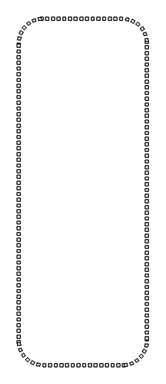
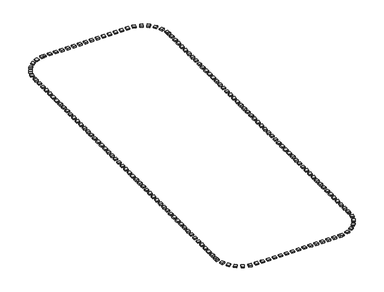
"""IFC4 building model written with IfcOpenShell, lengths in millimetres: railing geometry."""

from ifc_helpers import new_model, si_unit, origin, origin_with_axes, place, context, project, spatial, polyline, outline, extrude, source, transform, mapped, element, save


def railing_b917b7a8(model_context):
    return source(origin(), model_context, "Body", "SweptSolid", [
        extrude(outline(polyline([(-56627.5176302, -289245.3396431), (-56627.5176302, -289745.3396431), (-57127.5176302, -289745.3396431), (-57127.5176302, -289245.3396431), (-56627.5176302, -289245.3396431)])), origin_with_axes(), (0.0, 0.0, 1.0), 200.0),
        extrude(outline(polyline([(-57627.5176302, -289245.3396431), (-57627.5176302, -289745.3396431), (-58127.5176302, -289745.3396431), (-58127.5176302, -289245.3396431), (-57627.5176302, -289245.3396431)])), origin_with_axes(), (0.0, 0.0, 1.0), 200.0),
        extrude(outline(polyline([(-58627.5176302, -289245.3396431), (-58627.5176302, -289745.3396431), (-59127.5176302, -289745.3396431), (-59127.5176302, -289245.3396431), (-58627.5176302, -289245.3396431)])), origin_with_axes(), (0.0, 0.0, 1.0), 200.0),
        extrude(outline(polyline([(-59627.5176302, -289245.3396431), (-59627.5176302, -289745.3396431), (-60127.5176302, -289745.3396431), (-60127.5176302, -289245.3396431), (-59627.5176302, -289245.3396431)])), origin_with_axes(), (0.0, 0.0, 1.0), 200.0),
        extrude(outline(polyline([(-60627.5176302, -289245.3396431), (-60627.5176302, -289745.3396431), (-61127.5176302, -289745.3396431), (-61127.5176302, -289245.3396431), (-60627.5176302, -289245.3396431)])), origin_with_axes(), (0.0, 0.0, 1.0), 200.0),
        extrude(outline(polyline([(-61627.5176302, -289245.3396431), (-61627.5176302, -289745.3396431), (-62127.5176302, -289745.3396431), (-62127.5176302, -289245.3396431), (-61627.5176302, -289245.3396431)])), origin_with_axes(), (0.0, 0.0, 1.0), 200.0),
        extrude(outline(polyline([(-62627.5176302, -289245.3396431), (-62627.5176302, -289745.3396431), (-63127.5176302, -289745.3396431), (-63127.5176302, -289245.3396431), (-62627.5176302, -289245.3396431)])), origin_with_axes(), (0.0, 0.0, 1.0), 200.0),
        extrude(outline(polyline([(-63627.5176302, -289245.3396431), (-63627.5176302, -289745.3396431), (-64127.5176302, -289745.3396431), (-64127.5176302, -289245.3396431), (-63627.5176302, -289245.3396431)])), origin_with_axes(), (0.0, 0.0, 1.0), 200.0),
        extrude(outline(polyline([(-64627.5176302, -289245.3396431), (-64627.5176302, -289745.3396431), (-65127.5176302, -289745.3396431), (-65127.5176302, -289245.3396431), (-64627.5176302, -289245.3396431)])), origin_with_axes(), (0.0, 0.0, 1.0), 200.0),
        extrude(outline(polyline([(-65627.5176302, -289245.3396431), (-65627.5176302, -289745.3396431), (-66127.5176302, -289745.3396431), (-66127.5176302, -289245.3396431), (-65627.5176302, -289245.3396431)])), origin_with_axes(), (0.0, 0.0, 1.0), 200.0),
        extrude(outline(polyline([(-66627.5176302, -289245.3396431), (-66627.5176302, -289745.3396431), (-67127.5176302, -289745.3396431), (-67127.5176302, -289245.3396431), (-66627.5176302, -289245.3396431)])), origin_with_axes(), (0.0, 0.0, 1.0), 200.0),
        extrude(outline(polyline([(-67627.5176302, -289245.3396431), (-67627.5176302, -289745.3396431), (-68127.5176302, -289745.3396431), (-68127.5176302, -289245.3396431), (-67627.5176302, -289245.3396431)])), origin_with_axes(), (0.0, 0.0, 1.0), 200.0),
        extrude(outline(polyline([(-68627.5176302, -289245.3396431), (-68627.5176302, -289745.3396431), (-69127.5176302, -289745.3396431), (-69127.5176302, -289245.3396431), (-68627.5176302, -289245.3396431)])), origin_with_axes(), (0.0, 0.0, 1.0), 200.0),
        extrude(outline(polyline([(-69945.8350377, -289256.6122034), (-69910.4664368, -289755.3596967), (-70409.2139301, -289790.7282975), (-70444.582531, -289291.9808042), (-69945.8350377, -289256.6122034)])), origin_with_axes(), (0.0, 0.0, 1.0), 200.0),
        extrude(outline(polyline([(-71046.4682609, -289474.908856), (-70888.8070797, -289949.4011657), (-71363.2993894, -290107.0623469), (-71520.9605706, -289632.5700372), (-71046.4682609, -289474.908856)])), origin_with_axes(), (0.0, 0.0, 1.0), 200.0),
        extrude(outline(polyline([(-72058.8780066, -289958.7202115), (-71788.7268536, -290379.4557039), (-72209.462346, -290649.6068568), (-72479.613499, -290228.8713644), (-72058.8780066, -289958.7202115)])), origin_with_axes(), (0.0, 0.0, 1.0), 200.0),
        extrude(outline(polyline([(-72920.1175401, -290677.965223), (-72554.2731056, -291018.784603), (-72895.0924857, -291384.6290375), (-73260.9369201, -291043.8096575), (-72920.1175401, -290677.965223)])), origin_with_axes(), (0.0, 0.0, 1.0), 200.0),
        extrude(outline(polyline([(-73576.6391587, -291587.9247194), (-73137.8478777, -291827.6374887), (-73377.560647, -292266.4287697), (-73816.351928, -292026.7160004), (-73576.6391587, -291587.9247194)])), origin_with_axes(), (0.0, 0.0, 1.0), 200.0),
        extrude(outline(polyline([(-73987.6235278, -292632.0218265), (-73503.167317, -292755.7238061), (-73626.8692966, -293240.180017), (-74111.3255075, -293116.4780373), (-73987.6235278, -292632.0218265)])), origin_with_axes(), (0.0, 0.0, 1.0), 200.0),
        extrude(outline(polyline([(-74127.5176302, -293954.0566268), (-73627.5176302, -293954.0566268), (-73627.5176302, -294454.0566268), (-74127.5176302, -294454.0566268), (-74127.5176302, -293954.0566268)])), origin_with_axes(), (0.0, 0.0, 1.0), 200.0),
        extrude(outline(polyline([(-74127.5176302, -294954.0566268), (-73627.5176302, -294954.0566268), (-73627.5176302, -295454.0566268), (-74127.5176302, -295454.0566268), (-74127.5176302, -294954.0566268)])), origin_with_axes(), (0.0, 0.0, 1.0), 200.0),
        extrude(outline(polyline([(-74127.5176302, -295954.0566268), (-73627.5176302, -295954.0566268), (-73627.5176302, -296454.0566268), (-74127.5176302, -296454.0566268), (-74127.5176302, -295954.0566268)])), origin_with_axes(), (0.0, 0.0, 1.0), 200.0),
        extrude(outline(polyline([(-74127.5176302, -296954.0566268), (-73627.5176302, -296954.0566268), (-73627.5176302, -297454.0566268), (-74127.5176302, -297454.0566268), (-74127.5176302, -296954.0566268)])), origin_with_axes(), (0.0, 0.0, 1.0), 200.0),
        extrude(outline(polyline([(-74127.5176302, -297954.0566268), (-73627.5176302, -297954.0566268), (-73627.5176302, -298454.0566268), (-74127.5176302, -298454.0566268), (-74127.5176302, -297954.0566268)])), origin_with_axes(), (0.0, 0.0, 1.0), 200.0),
        extrude(outline(polyline([(-74127.5176302, -298954.0566268), (-73627.5176302, -298954.0566268), (-73627.5176302, -299454.0566268), (-74127.5176302, -299454.0566268), (-74127.5176302, -298954.0566268)])), origin_with_axes(), (0.0, 0.0, 1.0), 200.0),
        extrude(outline(polyline([(-74127.5176302, -299954.0566268), (-73627.5176302, -299954.0566268), (-73627.5176302, -300454.0566268), (-74127.5176302, -300454.0566268), (-74127.5176302, -299954.0566268)])), origin_with_axes(), (0.0, 0.0, 1.0), 200.0),
        extrude(outline(polyline([(-74127.5176302, -300954.0566268), (-73627.5176302, -300954.0566268), (-73627.5176302, -301454.0566268), (-74127.5176302, -301454.0566268), (-74127.5176302, -300954.0566268)])), origin_with_axes(), (0.0, 0.0, 1.0), 200.0),
        extrude(outline(polyline([(-74127.5176302, -301954.0566268), (-73627.5176302, -301954.0566268), (-73627.5176302, -302454.0566268), (-74127.5176302, -302454.0566268), (-74127.5176302, -301954.0566268)])), origin_with_axes(), (0.0, 0.0, 1.0), 200.0),
        extrude(outline(polyline([(-74127.5176302, -302954.0566268), (-73627.5176302, -302954.0566268), (-73627.5176302, -303454.0566268), (-74127.5176302, -303454.0566268), (-74127.5176302, -302954.0566268)])), origin_with_axes(), (0.0, 0.0, 1.0), 200.0),
        extrude(outline(polyline([(-74127.5176302, -303954.0566268), (-73627.5176302, -303954.0566268), (-73627.5176302, -304454.0566268), (-74127.5176302, -304454.0566268), (-74127.5176302, -303954.0566268)])), origin_with_axes(), (0.0, 0.0, 1.0), 200.0),
        extrude(outline(polyline([(-74127.5176302, -304954.0566268), (-73627.5176302, -304954.0566268), (-73627.5176302, -305454.0566268), (-74127.5176302, -305454.0566268), (-74127.5176302, -304954.0566268)])), origin_with_axes(), (0.0, 0.0, 1.0), 200.0),
        extrude(outline(polyline([(-74127.5176302, -305954.0566268), (-73627.5176302, -305954.0566268), (-73627.5176302, -306454.0566268), (-74127.5176302, -306454.0566268), (-74127.5176302, -305954.0566268)])), origin_with_axes(), (0.0, 0.0, 1.0), 200.0),
        extrude(outline(polyline([(-74127.5176302, -306954.0566268), (-73627.5176302, -306954.0566268), (-73627.5176302, -307454.0566268), (-74127.5176302, -307454.0566268), (-74127.5176302, -306954.0566268)])), origin_with_axes(), (0.0, 0.0, 1.0), 200.0),
        extrude(outline(polyline([(-74127.5176302, -307954.0566268), (-73627.5176302, -307954.0566268), (-73627.5176302, -308454.0566268), (-74127.5176302, -308454.0566268), (-74127.5176302, -307954.0566268)])), origin_with_axes(), (0.0, 0.0, 1.0), 200.0),
        extrude(outline(polyline([(-74127.5176302, -308954.0566268), (-73627.5176302, -308954.0566268), (-73627.5176302, -309454.0566268), (-74127.5176302, -309454.0566268), (-74127.5176302, -308954.0566268)])), origin_with_axes(), (0.0, 0.0, 1.0), 200.0),
        extrude(outline(polyline([(-74127.5176302, -309954.0566268), (-73627.5176302, -309954.0566268), (-73627.5176302, -310454.0566268), (-74127.5176302, -310454.0566268), (-74127.5176302, -309954.0566268)])), origin_with_axes(), (0.0, 0.0, 1.0), 200.0),
        extrude(outline(polyline([(-74127.5176302, -310954.0566268), (-73627.5176302, -310954.0566268), (-73627.5176302, -311454.0566268), (-74127.5176302, -311454.0566268), (-74127.5176302, -310954.0566268)])), origin_with_axes(), (0.0, 0.0, 1.0), 200.0),
        extrude(outline(polyline([(-74127.5176302, -311954.0566268), (-73627.5176302, -311954.0566268), (-73627.5176302, -312454.0566268), (-74127.5176302, -312454.0566268), (-74127.5176302, -311954.0566268)])), origin_with_axes(), (0.0, 0.0, 1.0), 200.0),
        extrude(outline(polyline([(-74127.5176302, -312954.0566268), (-73627.5176302, -312954.0566268), (-73627.5176302, -313454.0566268), (-74127.5176302, -313454.0566268), (-74127.5176302, -312954.0566268)])), origin_with_axes(), (0.0, 0.0, 1.0), 200.0),
        extrude(outline(polyline([(-74127.5176302, -313954.0566268), (-73627.5176302, -313954.0566268), (-73627.5176302, -314454.0566268), (-74127.5176302, -314454.0566268), (-74127.5176302, -313954.0566268)])), origin_with_axes(), (0.0, 0.0, 1.0), 200.0),
        extrude(outline(polyline([(-74127.5176302, -314954.0566268), (-73627.5176302, -314954.0566268), (-73627.5176302, -315454.0566268), (-74127.5176302, -315454.0566268), (-74127.5176302, -314954.0566268)])), origin_with_axes(), (0.0, 0.0, 1.0), 200.0),
        extrude(outline(polyline([(-74127.5176302, -315954.0566268), (-73627.5176302, -315954.0566268), (-73627.5176302, -316454.0566268), (-74127.5176302, -316454.0566268), (-74127.5176302, -315954.0566268)])), origin_with_axes(), (0.0, 0.0, 1.0), 200.0),
        extrude(outline(polyline([(-74127.5176302, -316954.0566268), (-73627.5176302, -316954.0566268), (-73627.5176302, -317454.0566268), (-74127.5176302, -317454.0566268), (-74127.5176302, -316954.0566268)])), origin_with_axes(), (0.0, 0.0, 1.0), 200.0),
        extrude(outline(polyline([(-74127.5176302, -317954.0566268), (-73627.5176302, -317954.0566268), (-73627.5176302, -318454.0566268), (-74127.5176302, -318454.0566268), (-74127.5176302, -317954.0566268)])), origin_with_axes(), (0.0, 0.0, 1.0), 200.0),
        extrude(outline(polyline([(-74127.5176302, -318954.0566268), (-73627.5176302, -318954.0566268), (-73627.5176302, -319454.0566268), (-74127.5176302, -319454.0566268), (-74127.5176302, -318954.0566268)])), origin_with_axes(), (0.0, 0.0, 1.0), 200.0),
        extrude(outline(polyline([(-74127.5176302, -319954.0566268), (-73627.5176302, -319954.0566268), (-73627.5176302, -320454.0566268), (-74127.5176302, -320454.0566268), (-74127.5176302, -319954.0566268)])), origin_with_axes(), (0.0, 0.0, 1.0), 200.0),
        extrude(outline(polyline([(-74127.5176302, -320954.0566268), (-73627.5176302, -320954.0566268), (-73627.5176302, -321454.0566268), (-74127.5176302, -321454.0566268), (-74127.5176302, -320954.0566268)])), origin_with_axes(), (0.0, 0.0, 1.0), 200.0),
        extrude(outline(polyline([(-74127.5176302, -321954.0566268), (-73627.5176302, -321954.0566268), (-73627.5176302, -322454.0566268), (-74127.5176302, -322454.0566268), (-74127.5176302, -321954.0566268)])), origin_with_axes(), (0.0, 0.0, 1.0), 200.0),
        extrude(outline(polyline([(-74127.5176302, -322954.0566268), (-73627.5176302, -322954.0566268), (-73627.5176302, -323454.0566268), (-74127.5176302, -323454.0566268), (-74127.5176302, -322954.0566268)])), origin_with_axes(), (0.0, 0.0, 1.0), 200.0),
        extrude(outline(polyline([(-74127.5176302, -323954.0566268), (-73627.5176302, -323954.0566268), (-73627.5176302, -324454.0566268), (-74127.5176302, -324454.0566268), (-74127.5176302, -323954.0566268)])), origin_with_axes(), (0.0, 0.0, 1.0), 200.0),
        extrude(outline(polyline([(-74127.5176302, -324954.0566268), (-73627.5176302, -324954.0566268), (-73627.5176302, -325454.0566268), (-74127.5176302, -325454.0566268), (-74127.5176302, -324954.0566268)])), origin_with_axes(), (0.0, 0.0, 1.0), 200.0),
        extrude(outline(polyline([(-74127.5176302, -325954.0566268), (-73627.5176302, -325954.0566268), (-73627.5176302, -326454.0566268), (-74127.5176302, -326454.0566268), (-74127.5176302, -325954.0566268)])), origin_with_axes(), (0.0, 0.0, 1.0), 200.0),
        extrude(outline(polyline([(-74127.5176302, -326954.0566268), (-73627.5176302, -326954.0566268), (-73627.5176302, -327454.0566268), (-74127.5176302, -327454.0566268), (-74127.5176302, -326954.0566268)])), origin_with_axes(), (0.0, 0.0, 1.0), 200.0),
        extrude(outline(polyline([(-74127.5176302, -327954.0566268), (-73627.5176302, -327954.0566268), (-73627.5176302, -328454.0566268), (-74127.5176302, -328454.0566268), (-74127.5176302, -327954.0566268)])), origin_with_axes(), (0.0, 0.0, 1.0), 200.0),
        extrude(outline(polyline([(-74127.5176302, -328954.0566268), (-73627.5176302, -328954.0566268), (-73627.5176302, -329454.0566268), (-74127.5176302, -329454.0566268), (-74127.5176302, -328954.0566268)])), origin_with_axes(), (0.0, 0.0, 1.0), 200.0),
        extrude(outline(polyline([(-74127.5176302, -329954.0566268), (-73627.5176302, -329954.0566268), (-73627.5176302, -330454.0566268), (-74127.5176302, -330454.0566268), (-74127.5176302, -329954.0566268)])), origin_with_axes(), (0.0, 0.0, 1.0), 200.0),
        extrude(outline(polyline([(-74127.5176302, -330954.0566268), (-73627.5176302, -330954.0566268), (-73627.5176302, -331454.0566268), (-74127.5176302, -331454.0566268), (-74127.5176302, -330954.0566268)])), origin_with_axes(), (0.0, 0.0, 1.0), 200.0),
        extrude(outline(polyline([(-74127.5176302, -331954.0566268), (-73627.5176302, -331954.0566268), (-73627.5176302, -332454.0566268), (-74127.5176302, -332454.0566268), (-74127.5176302, -331954.0566268)])), origin_with_axes(), (0.0, 0.0, 1.0), 200.0),
        extrude(outline(polyline([(-74127.5176302, -332954.0566268), (-73627.5176302, -332954.0566268), (-73627.5176302, -333454.0566268), (-74127.5176302, -333454.0566268), (-74127.5176302, -332954.0566268)])), origin_with_axes(), (0.0, 0.0, 1.0), 200.0),
        extrude(outline(polyline([(-74127.5176302, -333954.0566268), (-73627.5176302, -333954.0566268), (-73627.5176302, -334454.0566268), (-74127.5176302, -334454.0566268), (-74127.5176302, -333954.0566268)])), origin_with_axes(), (0.0, 0.0, 1.0), 200.0),
        extrude(outline(polyline([(-74127.5176302, -334954.0566268), (-73627.5176302, -334954.0566268), (-73627.5176302, -335454.0566268), (-74127.5176302, -335454.0566268), (-74127.5176302, -334954.0566268)])), origin_with_axes(), (0.0, 0.0, 1.0), 200.0),
        extrude(outline(polyline([(-74127.5176302, -335954.0566268), (-73627.5176302, -335954.0566268), (-73627.5176302, -336454.0566268), (-74127.5176302, -336454.0566268), (-74127.5176302, -335954.0566268)])), origin_with_axes(), (0.0, 0.0, 1.0), 200.0),
        extrude(outline(polyline([(-74127.5176302, -336954.0566268), (-73627.5176302, -336954.0566268), (-73627.5176302, -337454.0566268), (-74127.5176302, -337454.0566268), (-74127.5176302, -336954.0566268)])), origin_with_axes(), (0.0, 0.0, 1.0), 200.0),
        extrude(outline(polyline([(-74127.5176302, -337954.0566268), (-73627.5176302, -337954.0566268), (-73627.5176302, -338454.0566268), (-74127.5176302, -338454.0566268), (-74127.5176302, -337954.0566268)])), origin_with_axes(), (0.0, 0.0, 1.0), 200.0),
        extrude(outline(polyline([(-74127.5176302, -338954.0566268), (-73627.5176302, -338954.0566268), (-73627.5176302, -339454.0566268), (-74127.5176302, -339454.0566268), (-74127.5176302, -338954.0566268)])), origin_with_axes(), (0.0, 0.0, 1.0), 200.0),
        extrude(outline(polyline([(-74127.5176302, -339954.0566268), (-73627.5176302, -339954.0566268), (-73627.5176302, -340454.0566268), (-74127.5176302, -340454.0566268), (-74127.5176302, -339954.0566268)])), origin_with_axes(), (0.0, 0.0, 1.0), 200.0),
        extrude(outline(polyline([(-74127.5176302, -340954.0566268), (-73627.5176302, -340954.0566268), (-73627.5176302, -341454.0566268), (-74127.5176302, -341454.0566268), (-74127.5176302, -340954.0566268)])), origin_with_axes(), (0.0, 0.0, 1.0), 200.0),
        extrude(outline(polyline([(-74127.5176302, -341954.0566268), (-73627.5176302, -341954.0566268), (-73627.5176302, -342454.0566268), (-74127.5176302, -342454.0566268), (-74127.5176302, -341954.0566268)])), origin_with_axes(), (0.0, 0.0, 1.0), 200.0),
        extrude(outline(polyline([(-74127.5176302, -342954.0566268), (-73627.5176302, -342954.0566268), (-73627.5176302, -343454.0566268), (-74127.5176302, -343454.0566268), (-74127.5176302, -342954.0566268)])), origin_with_axes(), (0.0, 0.0, 1.0), 200.0),
        extrude(outline(polyline([(-74127.5176302, -343954.0566268), (-73627.5176302, -343954.0566268), (-73627.5176302, -344454.0566268), (-74127.5176302, -344454.0566268), (-74127.5176302, -343954.0566268)])), origin_with_axes(), (0.0, 0.0, 1.0), 200.0),
        extrude(outline(polyline([(-74127.5176302, -344954.0566268), (-73627.5176302, -344954.0566268), (-73627.5176302, -345454.0566268), (-74127.5176302, -345454.0566268), (-74127.5176302, -344954.0566268)])), origin_with_axes(), (0.0, 0.0, 1.0), 200.0),
        extrude(outline(polyline([(-74116.2450699, -346272.3740343), (-73617.4975766, -346237.0054335), (-73582.1289757, -346735.7529268), (-74080.876469, -346771.1215276), (-74116.2450699, -346272.3740343)])), origin_with_axes(), (0.0, 0.0, 1.0), 200.0),
        extrude(outline(polyline([(-73897.9484173, -347373.0072576), (-73423.4561076, -347215.3460764), (-73265.7949264, -347689.838386), (-73740.2872361, -347847.4995672), (-73897.9484173, -347373.0072576)])), origin_with_axes(), (0.0, 0.0, 1.0), 200.0),
        extrude(outline(polyline([(-73414.1370618, -348385.4170032), (-72993.4015694, -348115.2658503), (-72723.2504164, -348536.0013427), (-73143.9859089, -348806.1524956), (-73414.1370618, -348385.4170032)])), origin_with_axes(), (0.0, 0.0, 1.0), 200.0),
        extrude(outline(polyline([(-72694.8920503, -349246.6565367), (-72354.0726702, -348880.8121023), (-71988.2282358, -349221.6314823), (-72329.0476158, -349587.4759167), (-72694.8920503, -349246.6565367)])), origin_with_axes(), (0.0, 0.0, 1.0), 200.0),
        extrude(outline(polyline([(-71784.9325539, -349903.1781553), (-71545.2197846, -349464.3868743), (-71106.4285036, -349704.0996436), (-71346.1412729, -350142.8909246), (-71784.9325539, -349903.1781553)])), origin_with_axes(), (0.0, 0.0, 1.0), 200.0),
        extrude(outline(polyline([(-70740.8354468, -350314.1625245), (-70617.1334672, -349829.7063136), (-70132.6772563, -349953.4082933), (-70256.3792359, -350437.8645041), (-70740.8354468, -350314.1625245)])), origin_with_axes(), (0.0, 0.0, 1.0), 200.0),
        extrude(outline(polyline([(-68627.5176302, -350454.0566268), (-68627.5176302, -349954.0566268), (-68127.5176302, -349954.0566268), (-68127.5176302, -350454.0566268), (-68627.5176302, -350454.0566268)])), origin_with_axes(), (0.0, 0.0, 1.0), 200.0),
        extrude(outline(polyline([(-67627.5176302, -350454.0566268), (-67627.5176302, -349954.0566268), (-67127.5176302, -349954.0566268), (-67127.5176302, -350454.0566268), (-67627.5176302, -350454.0566268)])), origin_with_axes(), (0.0, 0.0, 1.0), 200.0),
        extrude(outline(polyline([(-66627.5176302, -350454.0566268), (-66627.5176302, -349954.0566268), (-66127.5176302, -349954.0566268), (-66127.5176302, -350454.0566268), (-66627.5176302, -350454.0566268)])), origin_with_axes(), (0.0, 0.0, 1.0), 200.0),
        extrude(outline(polyline([(-65627.5176302, -350454.0566268), (-65627.5176302, -349954.0566268), (-65127.5176302, -349954.0566268), (-65127.5176302, -350454.0566268), (-65627.5176302, -350454.0566268)])), origin_with_axes(), (0.0, 0.0, 1.0), 200.0),
        extrude(outline(polyline([(-64627.5176302, -350454.0566268), (-64627.5176302, -349954.0566268), (-64127.5176302, -349954.0566268), (-64127.5176302, -350454.0566268), (-64627.5176302, -350454.0566268)])), origin_with_axes(), (0.0, 0.0, 1.0), 200.0),
        extrude(outline(polyline([(-63627.5176302, -350454.0566268), (-63627.5176302, -349954.0566268), (-63127.5176302, -349954.0566268), (-63127.5176302, -350454.0566268), (-63627.5176302, -350454.0566268)])), origin_with_axes(), (0.0, 0.0, 1.0), 200.0),
        extrude(outline(polyline([(-62627.5176302, -350454.0566268), (-62627.5176302, -349954.0566268), (-62127.5176302, -349954.0566268), (-62127.5176302, -350454.0566268), (-62627.5176302, -350454.0566268)])), origin_with_axes(), (0.0, 0.0, 1.0), 200.0),
        extrude(outline(polyline([(-61627.5176302, -350454.0566268), (-61627.5176302, -349954.0566268), (-61127.5176302, -349954.0566268), (-61127.5176302, -350454.0566268), (-61627.5176302, -350454.0566268)])), origin_with_axes(), (0.0, 0.0, 1.0), 200.0),
        extrude(outline(polyline([(-60627.5176302, -350454.0566268), (-60627.5176302, -349954.0566268), (-60127.5176302, -349954.0566268), (-60127.5176302, -350454.0566268), (-60627.5176302, -350454.0566268)])), origin_with_axes(), (0.0, 0.0, 1.0), 200.0),
        extrude(outline(polyline([(-59627.5176302, -350454.0566268), (-59627.5176302, -349954.0566268), (-59127.5176302, -349954.0566268), (-59127.5176302, -350454.0566268), (-59627.5176302, -350454.0566268)])), origin_with_axes(), (0.0, 0.0, 1.0), 200.0),
        extrude(outline(polyline([(-58627.5176302, -350454.0566268), (-58627.5176302, -349954.0566268), (-58127.5176302, -349954.0566268), (-58127.5176302, -350454.0566268), (-58627.5176302, -350454.0566268)])), origin_with_axes(), (0.0, 0.0, 1.0), 200.0),
        extrude(outline(polyline([(-57627.5176302, -350454.0566268), (-57627.5176302, -349954.0566268), (-57127.5176302, -349954.0566268), (-57127.5176302, -350454.0566268), (-57627.5176302, -350454.0566268)])), origin_with_axes(), (0.0, 0.0, 1.0), 200.0),
        extrude(outline(polyline([(-56627.5176302, -350454.0566268), (-56627.5176302, -349954.0566268), (-56127.5176302, -349954.0566268), (-56127.5176302, -350454.0566268), (-56627.5176302, -350454.0566268)])), origin_with_axes(), (0.0, 0.0, 1.0), 200.0),
        extrude(outline(polyline([(-55309.2002226, -350442.7840665), (-55344.5688235, -349944.0365732), (-54845.8213302, -349908.6679724), (-54810.4527293, -350407.4154657), (-55309.2002226, -350442.7840665)])), origin_with_axes(), (0.0, 0.0, 1.0), 200.0),
        extrude(outline(polyline([(-54208.5669994, -350224.4874139), (-54366.2281806, -349749.9951042), (-53891.7358709, -349592.333923), (-53734.0746897, -350066.8262327), (-54208.5669994, -350224.4874139)])), origin_with_axes(), (0.0, 0.0, 1.0), 200.0),
        extrude(outline(polyline([(-53196.1572537, -349740.6760584), (-53466.3084067, -349319.940566), (-53045.5729143, -349049.7894131), (-52775.4217613, -349470.5249055), (-53196.1572537, -349740.6760584)])), origin_with_axes(), (0.0, 0.0, 1.0), 200.0),
        extrude(outline(polyline([(-52334.9177202, -349021.4310469), (-52700.7621547, -348680.6116669), (-52359.9427746, -348314.7672324), (-51994.0983402, -348655.5866125), (-52334.9177202, -349021.4310469)])), origin_with_axes(), (0.0, 0.0, 1.0), 200.0),
        extrude(outline(polyline([(-51678.3961016, -348111.4715505), (-52117.1873826, -347871.7587812), (-51877.4746133, -347432.9675003), (-51438.6833323, -347672.6802696), (-51678.3961016, -348111.4715505)])), origin_with_axes(), (0.0, 0.0, 1.0), 200.0),
        extrude(outline(polyline([(-51267.4117325, -347067.3744434), (-51751.8679433, -346943.6724638), (-51628.1659637, -346459.2162529), (-51143.7097528, -346582.9182326), (-51267.4117325, -347067.3744434)])), origin_with_axes(), (0.0, 0.0, 1.0), 200.0),
        extrude(outline(polyline([(-51127.5176302, -345745.3396431), (-51627.5176302, -345745.3396431), (-51627.5176302, -345245.3396431), (-51127.5176302, -345245.3396431), (-51127.5176302, -345745.3396431)])), origin_with_axes(), (0.0, 0.0, 1.0), 200.0),
        extrude(outline(polyline([(-51127.5176302, -344745.3396431), (-51627.5176302, -344745.3396431), (-51627.5176302, -344245.3396431), (-51127.5176302, -344245.3396431), (-51127.5176302, -344745.3396431)])), origin_with_axes(), (0.0, 0.0, 1.0), 200.0),
        extrude(outline(polyline([(-51127.5176302, -343745.3396431), (-51627.5176302, -343745.3396431), (-51627.5176302, -343245.3396431), (-51127.5176302, -343245.3396431), (-51127.5176302, -343745.3396431)])), origin_with_axes(), (0.0, 0.0, 1.0), 200.0),
        extrude(outline(polyline([(-51127.5176302, -342745.3396431), (-51627.5176302, -342745.3396431), (-51627.5176302, -342245.3396431), (-51127.5176302, -342245.3396431), (-51127.5176302, -342745.3396431)])), origin_with_axes(), (0.0, 0.0, 1.0), 200.0),
        extrude(outline(polyline([(-51127.5176302, -341745.3396431), (-51627.5176302, -341745.3396431), (-51627.5176302, -341245.3396431), (-51127.5176302, -341245.3396431), (-51127.5176302, -341745.3396431)])), origin_with_axes(), (0.0, 0.0, 1.0), 200.0),
        extrude(outline(polyline([(-51127.5176302, -340745.3396431), (-51627.5176302, -340745.3396431), (-51627.5176302, -340245.3396431), (-51127.5176302, -340245.3396431), (-51127.5176302, -340745.3396431)])), origin_with_axes(), (0.0, 0.0, 1.0), 200.0),
        extrude(outline(polyline([(-51127.5176302, -339745.3396431), (-51627.5176302, -339745.3396431), (-51627.5176302, -339245.3396431), (-51127.5176302, -339245.3396431), (-51127.5176302, -339745.3396431)])), origin_with_axes(), (0.0, 0.0, 1.0), 200.0),
        extrude(outline(polyline([(-51127.5176302, -338745.3396431), (-51627.5176302, -338745.3396431), (-51627.5176302, -338245.3396431), (-51127.5176302, -338245.3396431), (-51127.5176302, -338745.3396431)])), origin_with_axes(), (0.0, 0.0, 1.0), 200.0),
        extrude(outline(polyline([(-51127.5176302, -337745.3396431), (-51627.5176302, -337745.3396431), (-51627.5176302, -337245.3396431), (-51127.5176302, -337245.3396431), (-51127.5176302, -337745.3396431)])), origin_with_axes(), (0.0, 0.0, 1.0), 200.0),
        extrude(outline(polyline([(-51127.5176302, -336745.3396431), (-51627.5176302, -336745.3396431), (-51627.5176302, -336245.3396431), (-51127.5176302, -336245.3396431), (-51127.5176302, -336745.3396431)])), origin_with_axes(), (0.0, 0.0, 1.0), 200.0),
        extrude(outline(polyline([(-51127.5176302, -335745.3396431), (-51627.5176302, -335745.3396431), (-51627.5176302, -335245.3396431), (-51127.5176302, -335245.3396431), (-51127.5176302, -335745.3396431)])), origin_with_axes(), (0.0, 0.0, 1.0), 200.0),
        extrude(outline(polyline([(-51127.5176302, -334745.3396431), (-51627.5176302, -334745.3396431), (-51627.5176302, -334245.3396431), (-51127.5176302, -334245.3396431), (-51127.5176302, -334745.3396431)])), origin_with_axes(), (0.0, 0.0, 1.0), 200.0),
        extrude(outline(polyline([(-51127.5176302, -333745.3396431), (-51627.5176302, -333745.3396431), (-51627.5176302, -333245.3396431), (-51127.5176302, -333245.3396431), (-51127.5176302, -333745.3396431)])), origin_with_axes(), (0.0, 0.0, 1.0), 200.0),
        extrude(outline(polyline([(-51127.5176302, -332745.3396431), (-51627.5176302, -332745.3396431), (-51627.5176302, -332245.3396431), (-51127.5176302, -332245.3396431), (-51127.5176302, -332745.3396431)])), origin_with_axes(), (0.0, 0.0, 1.0), 200.0),
        extrude(outline(polyline([(-51127.5176302, -331745.3396431), (-51627.5176302, -331745.3396431), (-51627.5176302, -331245.3396431), (-51127.5176302, -331245.3396431), (-51127.5176302, -331745.3396431)])), origin_with_axes(), (0.0, 0.0, 1.0), 200.0),
        extrude(outline(polyline([(-51127.5176302, -330745.3396431), (-51627.5176302, -330745.3396431), (-51627.5176302, -330245.3396431), (-51127.5176302, -330245.3396431), (-51127.5176302, -330745.3396431)])), origin_with_axes(), (0.0, 0.0, 1.0), 200.0),
        extrude(outline(polyline([(-51127.5176302, -329745.3396431), (-51627.5176302, -329745.3396431), (-51627.5176302, -329245.3396431), (-51127.5176302, -329245.3396431), (-51127.5176302, -329745.3396431)])), origin_with_axes(), (0.0, 0.0, 1.0), 200.0),
        extrude(outline(polyline([(-51127.5176302, -328745.3396431), (-51627.5176302, -328745.3396431), (-51627.5176302, -328245.3396431), (-51127.5176302, -328245.3396431), (-51127.5176302, -328745.3396431)])), origin_with_axes(), (0.0, 0.0, 1.0), 200.0),
        extrude(outline(polyline([(-51127.5176302, -327745.3396431), (-51627.5176302, -327745.3396431), (-51627.5176302, -327245.3396431), (-51127.5176302, -327245.3396431), (-51127.5176302, -327745.3396431)])), origin_with_axes(), (0.0, 0.0, 1.0), 200.0),
        extrude(outline(polyline([(-51127.5176302, -326745.3396431), (-51627.5176302, -326745.3396431), (-51627.5176302, -326245.3396431), (-51127.5176302, -326245.3396431), (-51127.5176302, -326745.3396431)])), origin_with_axes(), (0.0, 0.0, 1.0), 200.0),
        extrude(outline(polyline([(-51127.5176302, -325745.3396431), (-51627.5176302, -325745.3396431), (-51627.5176302, -325245.3396431), (-51127.5176302, -325245.3396431), (-51127.5176302, -325745.3396431)])), origin_with_axes(), (0.0, 0.0, 1.0), 200.0),
        extrude(outline(polyline([(-51127.5176302, -324745.3396431), (-51627.5176302, -324745.3396431), (-51627.5176302, -324245.3396431), (-51127.5176302, -324245.3396431), (-51127.5176302, -324745.3396431)])), origin_with_axes(), (0.0, 0.0, 1.0), 200.0),
        extrude(outline(polyline([(-51127.5176302, -323745.3396431), (-51627.5176302, -323745.3396431), (-51627.5176302, -323245.3396431), (-51127.5176302, -323245.3396431), (-51127.5176302, -323745.3396431)])), origin_with_axes(), (0.0, 0.0, 1.0), 200.0),
        extrude(outline(polyline([(-51127.5176302, -322745.3396431), (-51627.5176302, -322745.3396431), (-51627.5176302, -322245.3396431), (-51127.5176302, -322245.3396431), (-51127.5176302, -322745.3396431)])), origin_with_axes(), (0.0, 0.0, 1.0), 200.0),
        extrude(outline(polyline([(-51127.5176302, -321745.3396431), (-51627.5176302, -321745.3396431), (-51627.5176302, -321245.3396431), (-51127.5176302, -321245.3396431), (-51127.5176302, -321745.3396431)])), origin_with_axes(), (0.0, 0.0, 1.0), 200.0),
        extrude(outline(polyline([(-51127.5176302, -320745.3396431), (-51627.5176302, -320745.3396431), (-51627.5176302, -320245.3396431), (-51127.5176302, -320245.3396431), (-51127.5176302, -320745.3396431)])), origin_with_axes(), (0.0, 0.0, 1.0), 200.0),
        extrude(outline(polyline([(-51127.5176302, -319745.3396431), (-51627.5176302, -319745.3396431), (-51627.5176302, -319245.3396431), (-51127.5176302, -319245.3396431), (-51127.5176302, -319745.3396431)])), origin_with_axes(), (0.0, 0.0, 1.0), 200.0),
        extrude(outline(polyline([(-51127.5176302, -318745.3396431), (-51627.5176302, -318745.3396431), (-51627.5176302, -318245.3396431), (-51127.5176302, -318245.3396431), (-51127.5176302, -318745.3396431)])), origin_with_axes(), (0.0, 0.0, 1.0), 200.0),
        extrude(outline(polyline([(-51127.5176302, -317745.3396431), (-51627.5176302, -317745.3396431), (-51627.5176302, -317245.3396431), (-51127.5176302, -317245.3396431), (-51127.5176302, -317745.3396431)])), origin_with_axes(), (0.0, 0.0, 1.0), 200.0),
        extrude(outline(polyline([(-51127.5176302, -316745.3396431), (-51627.5176302, -316745.3396431), (-51627.5176302, -316245.3396431), (-51127.5176302, -316245.3396431), (-51127.5176302, -316745.3396431)])), origin_with_axes(), (0.0, 0.0, 1.0), 200.0),
        extrude(outline(polyline([(-51127.5176302, -315745.3396431), (-51627.5176302, -315745.3396431), (-51627.5176302, -315245.3396431), (-51127.5176302, -315245.3396431), (-51127.5176302, -315745.3396431)])), origin_with_axes(), (0.0, 0.0, 1.0), 200.0),
        extrude(outline(polyline([(-51127.5176302, -314745.3396431), (-51627.5176302, -314745.3396431), (-51627.5176302, -314245.3396431), (-51127.5176302, -314245.3396431), (-51127.5176302, -314745.3396431)])), origin_with_axes(), (0.0, 0.0, 1.0), 200.0),
        extrude(outline(polyline([(-51127.5176302, -313745.3396431), (-51627.5176302, -313745.3396431), (-51627.5176302, -313245.3396431), (-51127.5176302, -313245.3396431), (-51127.5176302, -313745.3396431)])), origin_with_axes(), (0.0, 0.0, 1.0), 200.0),
        extrude(outline(polyline([(-51127.5176302, -312745.3396431), (-51627.5176302, -312745.3396431), (-51627.5176302, -312245.3396431), (-51127.5176302, -312245.3396431), (-51127.5176302, -312745.3396431)])), origin_with_axes(), (0.0, 0.0, 1.0), 200.0),
        extrude(outline(polyline([(-51127.5176302, -311745.3396431), (-51627.5176302, -311745.3396431), (-51627.5176302, -311245.3396431), (-51127.5176302, -311245.3396431), (-51127.5176302, -311745.3396431)])), origin_with_axes(), (0.0, 0.0, 1.0), 200.0),
        extrude(outline(polyline([(-51127.5176302, -310745.3396431), (-51627.5176302, -310745.3396431), (-51627.5176302, -310245.3396431), (-51127.5176302, -310245.3396431), (-51127.5176302, -310745.3396431)])), origin_with_axes(), (0.0, 0.0, 1.0), 200.0),
        extrude(outline(polyline([(-51127.5176302, -309745.3396431), (-51627.5176302, -309745.3396431), (-51627.5176302, -309245.3396431), (-51127.5176302, -309245.3396431), (-51127.5176302, -309745.3396431)])), origin_with_axes(), (0.0, 0.0, 1.0), 200.0),
        extrude(outline(polyline([(-51127.5176302, -308745.3396431), (-51627.5176302, -308745.3396431), (-51627.5176302, -308245.3396431), (-51127.5176302, -308245.3396431), (-51127.5176302, -308745.3396431)])), origin_with_axes(), (0.0, 0.0, 1.0), 200.0),
        extrude(outline(polyline([(-51127.5176302, -307745.3396431), (-51627.5176302, -307745.3396431), (-51627.5176302, -307245.3396431), (-51127.5176302, -307245.3396431), (-51127.5176302, -307745.3396431)])), origin_with_axes(), (0.0, 0.0, 1.0), 200.0),
        extrude(outline(polyline([(-51127.5176302, -306745.3396431), (-51627.5176302, -306745.3396431), (-51627.5176302, -306245.3396431), (-51127.5176302, -306245.3396431), (-51127.5176302, -306745.3396431)])), origin_with_axes(), (0.0, 0.0, 1.0), 200.0),
        extrude(outline(polyline([(-51127.5176302, -305745.3396431), (-51627.5176302, -305745.3396431), (-51627.5176302, -305245.3396431), (-51127.5176302, -305245.3396431), (-51127.5176302, -305745.3396431)])), origin_with_axes(), (0.0, 0.0, 1.0), 200.0),
        extrude(outline(polyline([(-51127.5176302, -304745.3396431), (-51627.5176302, -304745.3396431), (-51627.5176302, -304245.3396431), (-51127.5176302, -304245.3396431), (-51127.5176302, -304745.3396431)])), origin_with_axes(), (0.0, 0.0, 1.0), 200.0),
        extrude(outline(polyline([(-51127.5176302, -303745.3396431), (-51627.5176302, -303745.3396431), (-51627.5176302, -303245.3396431), (-51127.5176302, -303245.3396431), (-51127.5176302, -303745.3396431)])), origin_with_axes(), (0.0, 0.0, 1.0), 200.0),
        extrude(outline(polyline([(-51127.5176302, -302745.3396431), (-51627.5176302, -302745.3396431), (-51627.5176302, -302245.3396431), (-51127.5176302, -302245.3396431), (-51127.5176302, -302745.3396431)])), origin_with_axes(), (0.0, 0.0, 1.0), 200.0),
        extrude(outline(polyline([(-51127.5176302, -301745.3396431), (-51627.5176302, -301745.3396431), (-51627.5176302, -301245.3396431), (-51127.5176302, -301245.3396431), (-51127.5176302, -301745.3396431)])), origin_with_axes(), (0.0, 0.0, 1.0), 200.0),
        extrude(outline(polyline([(-51127.5176302, -300745.3396431), (-51627.5176302, -300745.3396431), (-51627.5176302, -300245.3396431), (-51127.5176302, -300245.3396431), (-51127.5176302, -300745.3396431)])), origin_with_axes(), (0.0, 0.0, 1.0), 200.0),
        extrude(outline(polyline([(-51127.5176302, -299745.3396431), (-51627.5176302, -299745.3396431), (-51627.5176302, -299245.3396431), (-51127.5176302, -299245.3396431), (-51127.5176302, -299745.3396431)])), origin_with_axes(), (0.0, 0.0, 1.0), 200.0),
        extrude(outline(polyline([(-51127.5176302, -298745.3396431), (-51627.5176302, -298745.3396431), (-51627.5176302, -298245.3396431), (-51127.5176302, -298245.3396431), (-51127.5176302, -298745.3396431)])), origin_with_axes(), (0.0, 0.0, 1.0), 200.0),
        extrude(outline(polyline([(-51127.5176302, -297745.3396431), (-51627.5176302, -297745.3396431), (-51627.5176302, -297245.3396431), (-51127.5176302, -297245.3396431), (-51127.5176302, -297745.3396431)])), origin_with_axes(), (0.0, 0.0, 1.0), 200.0),
        extrude(outline(polyline([(-51127.5176302, -296745.3396431), (-51627.5176302, -296745.3396431), (-51627.5176302, -296245.3396431), (-51127.5176302, -296245.3396431), (-51127.5176302, -296745.3396431)])), origin_with_axes(), (0.0, 0.0, 1.0), 200.0),
        extrude(outline(polyline([(-51127.5176302, -295745.3396431), (-51627.5176302, -295745.3396431), (-51627.5176302, -295245.3396431), (-51127.5176302, -295245.3396431), (-51127.5176302, -295745.3396431)])), origin_with_axes(), (0.0, 0.0, 1.0), 200.0),
        extrude(outline(polyline([(-51127.5176302, -294745.3396431), (-51627.5176302, -294745.3396431), (-51627.5176302, -294245.3396431), (-51127.5176302, -294245.3396431), (-51127.5176302, -294745.3396431)])), origin_with_axes(), (0.0, 0.0, 1.0), 200.0),
        extrude(outline(polyline([(-51138.7901904, -293427.0222356), (-51637.5376837, -293462.3908365), (-51672.9062846, -292963.6433432), (-51174.1587913, -292928.2747423), (-51138.7901904, -293427.0222356)])), origin_with_axes(), (0.0, 0.0, 1.0), 200.0),
        extrude(outline(polyline([(-51357.0868431, -292326.3890124), (-51831.5791527, -292484.0501935), (-51989.2403339, -292009.5578839), (-51514.7480242, -291851.8967027), (-51357.0868431, -292326.3890124)])), origin_with_axes(), (0.0, 0.0, 1.0), 200.0),
        extrude(outline(polyline([(-51840.8981985, -291313.9792667), (-52261.6336909, -291584.1304197), (-52531.7848439, -291163.3949273), (-52111.0493514, -290893.2437743), (-51840.8981985, -291313.9792667)])), origin_with_axes(), (0.0, 0.0, 1.0), 200.0),
        extrude(outline(polyline([(-52560.14321, -290452.7397332), (-52900.9625901, -290818.5841676), (-53266.8070245, -290477.7647876), (-52925.9876445, -290111.9203532), (-52560.14321, -290452.7397332)])), origin_with_axes(), (0.0, 0.0, 1.0), 200.0),
        extrude(outline(polyline([(-53470.1027064, -289796.2181146), (-53709.8154757, -290235.0093956), (-54148.6067567, -289995.2966263), (-53908.8939874, -289556.5053453), (-53470.1027064, -289796.2181146)])), origin_with_axes(), (0.0, 0.0, 1.0), 200.0),
        extrude(outline(polyline([(-54514.1998135, -289385.2337454), (-54637.9017931, -289869.6899563), (-55122.358004, -289745.9879767), (-54998.6560244, -289261.5317658), (-54514.1998135, -289385.2337454)])), origin_with_axes(), (0.0, 0.0, 1.0), 200.0),
        extrude(outline(polyline([(-55627.5176302, -289245.3396431), (-55627.5176302, -289745.3396431), (-56127.5176302, -289745.3396431), (-56127.5176302, -289245.3396431), (-55627.5176302, -289245.3396431)])), origin_with_axes(), (0.0, 0.0, 1.0), 200.0),
        extrude(outline(polyline([(-69627.5176302, -289245.3396431), (-69627.5176302, -289745.3396431), (-70127.5176302, -289745.3396431), (-70127.5176302, -289245.3396431), (-69627.5176302, -289245.3396431)])), origin_with_axes(), (0.0, 0.0, 1.0), 200.0),
        extrude(outline(polyline([(-74127.5176302, -293745.3396431), (-73627.5176302, -293745.3396431), (-73627.5176302, -294245.3396431), (-74127.5176302, -294245.3396431), (-74127.5176302, -293745.3396431)])), origin_with_axes(), (0.0, 0.0, 1.0), 200.0),
        extrude(outline(polyline([(-74127.5176302, -345954.0566268), (-73627.5176302, -345954.0566268), (-73627.5176302, -346454.0566268), (-74127.5176302, -346454.0566268), (-74127.5176302, -345954.0566268)])), origin_with_axes(), (0.0, 0.0, 1.0), 200.0),
        extrude(outline(polyline([(-69627.5176302, -350454.0566268), (-69627.5176302, -349954.0566268), (-69127.5176302, -349954.0566268), (-69127.5176302, -350454.0566268), (-69627.5176302, -350454.0566268)])), origin_with_axes(), (0.0, 0.0, 1.0), 200.0),
        extrude(outline(polyline([(-55627.5176302, -350454.0566268), (-55627.5176302, -349954.0566268), (-55127.5176302, -349954.0566268), (-55127.5176302, -350454.0566268), (-55627.5176302, -350454.0566268)])), origin_with_axes(), (0.0, 0.0, 1.0), 200.0),
        extrude(outline(polyline([(-51127.5176302, -345954.0566268), (-51627.5176302, -345954.0566268), (-51627.5176302, -345454.0566268), (-51127.5176302, -345454.0566268), (-51127.5176302, -345954.0566268)])), origin_with_axes(), (0.0, 0.0, 1.0), 200.0),
        extrude(outline(polyline([(-51127.5176302, -293745.3396431), (-51627.5176302, -293745.3396431), (-51627.5176302, -293245.3396431), (-51127.5176302, -293245.3396431), (-51127.5176302, -293745.3396431)])), origin_with_axes(), (0.0, 0.0, 1.0), 200.0),
    ])


if __name__ == "__main__":
    model = new_model("IFC4")
    model_context = context("Model", 3, world=origin())
    ifc_project = project(units=[si_unit("LENGTHUNIT", "METRE", prefix="MILLI")], contexts=[model_context])
    site = spatial("IfcSite", under=ifc_project)
    building = spatial("IfcBuilding", under=site)
    placement = place(None, origin())
    railing_shape = railing_b917b7a8(model_context)
    element("IfcRailing", 1, at=placement, inside=building, context=model_context, shape_type="MappedRepresentation", body=[
        mapped(railing_shape, transform((0.0, 0.0, 0.0), x_axis=(1.0, 0.0, 0.0), y_axis=(0.0, 1.0, 0.0), z_axis=(0.0, 0.0, 1.0))),
    ])
    save(model, "model.ifc")
